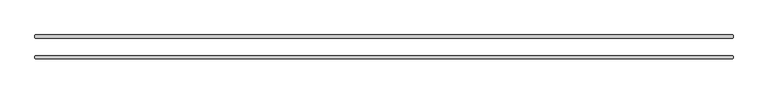
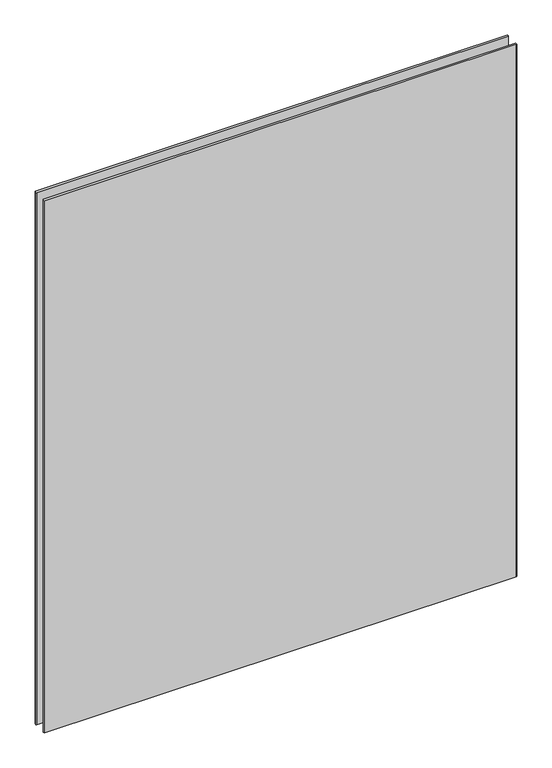
"""IFC4 building model written with IfcOpenShell, lengths in millimetres: plate geometry."""

from ifc_helpers import new_model, si_unit, origin, origin_with_axes, place, context, project, spatial, polyline, outline, extrude, source, transform, mapped, element, save


def plate_2fb6ae0a(model_context):
    return source(origin(), model_context, "Body", "SweptSolid", [
        extrude(outline(polyline([(1014.4125, 25.4), (-1014.4125, 25.4), (-1016.0, 26.9875), (-1016.0, 33.3375), (-1014.4125, 34.925), (1014.4125, 34.925), (1016.0, 33.3375), (1016.0, 26.9875), (1014.4125, 25.4)])), origin_with_axes(), (0.0, 0.0, 1.0), 2417.7625023),
        extrude(outline(polyline([(1014.4125, -34.925), (-1014.4125, -34.925), (-1016.0, -33.3375), (-1016.0, -26.9875), (-1014.4125, -25.4), (1014.4125, -25.4), (1016.0, -26.9875), (1016.0, -33.3375), (1014.4125, -34.925)])), origin_with_axes(), (0.0, 0.0, 1.0), 2417.7625023),
    ])


if __name__ == "__main__":
    model = new_model("IFC4")
    model_context = context("Model", 3, world=origin())
    ifc_project = project(units=[si_unit("LENGTHUNIT", "METRE", prefix="MILLI")], contexts=[model_context])
    site = spatial("IfcSite", under=ifc_project)
    building = spatial("IfcBuilding", under=site)
    placement = place(None, origin())
    plate_shape = plate_2fb6ae0a(model_context)
    element("IfcPlate", 1, at=placement, inside=building, context=model_context, shape_type="MappedRepresentation", body=[
        mapped(plate_shape, transform((0.0, 0.0, 0.0), x_axis=(1.0, 0.0, 0.0), y_axis=(0.0, 1.0, 0.0), z_axis=(0.0, 0.0, 1.0))),
    ])
    save(model, "model.ifc")
